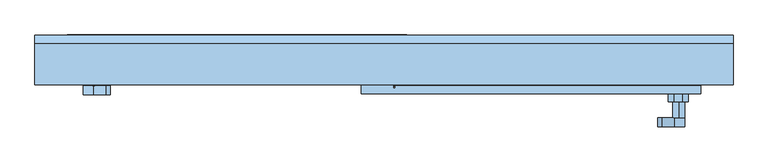
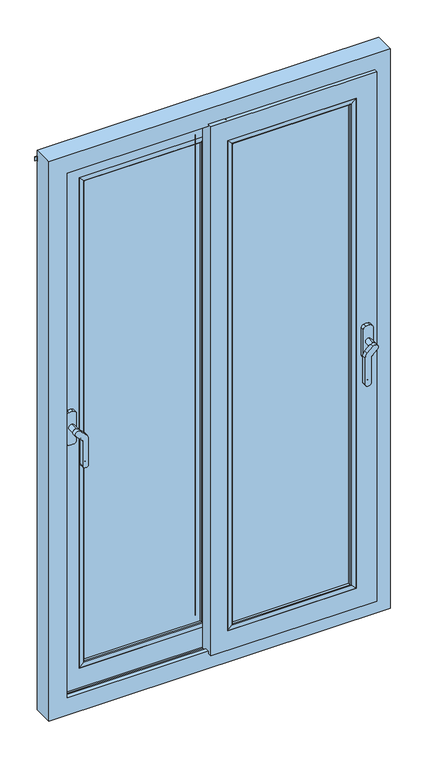
"""IFC4 building model written with IfcOpenShell, lengths in millimetres: window geometry."""

from ifc_helpers import new_model, si_unit, point, frame, frame_2d, origin, place, context, project, spatial, polyline, circle_curve, ellipse_curve, trimmed, segment, composite_curve, outline, extrude, faceted_brep, source, transform, mapped, element, save
from ifc_brep_helpers import plane_surface, cylinder_surface, advanced_brep


def window_a2f1c8dd(model_context):
    return source(origin(), model_context, "Body", "SolidModel", [
        extrude(outline(composite_curve([segment(trimmed(circle_curve(frame_2d((1720.5590638, -483.1689366)), 8.1203216), [point((1720.5590638, -491.2892583))], [point((1712.4387422, -483.1689366))], False, "CARTESIAN"), True, "CONTINUOUS"), segment(polyline([(1712.4387422, -483.1689366), (1712.4387422, -478.7980888)]), True, "CONTINUOUS"), segment(trimmed(circle_curve(frame_2d((1720.5590638, -478.7980888)), 8.1203216), [point((1712.4387422, -478.7980888))], [point((1720.5590638, -470.6777671))], False, "CARTESIAN"), True, "CONTINUOUS"), segment(polyline([(1720.5590638, -470.6777671), (1816.0601001, -470.6777671)]), True, "CONTINUOUS"), segment(trimmed(circle_curve(frame_2d((1816.0601001, -494.6777671)), 24.0), [point((1816.0601001, -470.6777671))], [point((1833.8176817, -478.5325419))], False, "CARTESIAN"), True, "CONTINUOUS"), segment(polyline([(1833.8176817, -478.5325419), (1852.8118762, -499.4236075)]), True, "CONTINUOUS"), segment(trimmed(circle_curve(frame_2d((1845.186663, -506.3564651)), 10.3057456), [point((1852.8118762, -499.4236075))], [point((1837.5614497, -513.2893228))], False, "CARTESIAN"), True, "CONTINUOUS"), segment(polyline([(1837.5614497, -513.2893228), (1821.1297391, -495.2166457)]), True, "CONTINUOUS"), segment(trimmed(circle_curve(frame_2d((1812.2509483, -503.2892583)), 12.0), [point((1821.1297391, -495.2166457))], [point((1812.2509483, -491.2892583))], True, "CARTESIAN"), True, "CONTINUOUS"), segment(polyline([(1812.2509483, -491.2892583), (1720.5590638, -491.2892583)]), True, "CONTINUOUS")], self_intersect=False)), frame((0.0, -316.7498063, 0.0), z_axis=(0.0, 1.0, 0.0), x_axis=(0.0, 0.0, 1.0)), (0.0, 0.0, 1.0), 15.0),
        extrude(outline(composite_curve([segment(trimmed(circle_curve(frame_2d((1845.186663, -505.3441861)), 10.3057456), [point((1855.4924085, -505.3441861))], [point((1834.8809174, -505.3441861))], False, "CARTESIAN"), True, "CONTINUOUS"), segment(trimmed(circle_curve(frame_2d((1845.186663, -505.3441861)), 10.3057456), [point((1834.8809174, -505.3441861))], [point((1855.4924085, -505.3441861))], False, "CARTESIAN"), True, "CONTINUOUS")], self_intersect=False)), frame((0.0, -301.7498063, 0.0), z_axis=(0.0, 1.0, 0.0), x_axis=(0.0, 0.0, 1.0)), (0.0, 0.0, 1.0), 27.75),
        extrude(outline(composite_curve([segment(polyline([(1890.7749123, -522.8503256), (1791.0357249, -522.8503256)]), True, "CONTINUOUS"), segment(trimmed(circle_curve(frame_2d((1791.0357249, -511.6848834)), 11.1654422), [point((1791.0357249, -522.8503256))], [point((1779.9543445, -513.0524027))], False, "CARTESIAN"), True, "CONTINUOUS"), segment(trimmed(circle_curve(frame_2d((1838.3181202, -505.8499075)), 58.8065154), [point((1779.9543445, -513.0524027))], [point((1779.9542171, -498.6484446))], False, "CARTESIAN"), True, "CONTINUOUS"), segment(trimmed(circle_curve(frame_2d((1791.0356217, -500.0157679)), 11.1654422), [point((1779.9542171, -498.6484446))], [point((1791.0356217, -488.8503256))], False, "CARTESIAN"), True, "CONTINUOUS"), segment(polyline([(1791.0356217, -488.8503256), (1890.7748036, -488.8503256)]), True, "CONTINUOUS"), segment(trimmed(circle_curve(frame_2d((1890.7748036, -500.0157679)), 11.1654422), [point((1890.7748036, -488.8503256))], [point((1901.8561833, -498.6482428))], False, "CARTESIAN"), True, "CONTINUOUS"), segment(trimmed(circle_curve(frame_2d((1843.4924309, -505.8507662)), 58.8064957), [point((1901.8561833, -498.6482428))], [point((1901.8563175, -513.052202))], False, "CARTESIAN"), True, "CONTINUOUS"), segment(trimmed(circle_curve(frame_2d((1890.7749123, -511.6848834)), 11.1654422), [point((1901.8563175, -513.052202))], [point((1890.7749123, -522.8503256))], False, "CARTESIAN"), True, "CONTINUOUS")], self_intersect=False)), frame((0.0, -273.9998063, 0.0), z_axis=(0.0, 1.0, 0.0), x_axis=(0.0, 0.0, 1.0)), (0.0, 0.0, 1.0), 13.5),
        extrude(outline(composite_curve([segment(polyline([(1725.2837421, -474.9036109), (1736.903582, -474.9036109), (1736.903582, -486.9960678), (1724.9206616, -486.9960678), (1724.9206616, -480.5040328), (1730.071547, -480.5040328), (1725.0457321, -475.4782179)]), True, "CONTINUOUS"), segment(trimmed(circle_curve(frame_2d((1725.2837421, -475.2402079)), 0.336597), [point((1725.0457321, -475.4782179))], [point((1725.2837421, -474.9036109))], False, "CARTESIAN"), True, "CONTINUOUS")], self_intersect=False)), frame((0.0, -317.0498063, 0.0), z_axis=(0.0, 1.0, 0.0), x_axis=(0.0, 0.0, 1.0)), (0.0, 0.0, 1.0), 0.8),
        extrude(outline(composite_curve([segment(trimmed(circle_curve(frame_2d((1845.186663, 506.3564651)), 10.3057456), [point((1855.4924085, 506.3564651))], [point((1834.8809174, 506.3564651))], False, "CARTESIAN"), True, "CONTINUOUS"), segment(trimmed(circle_curve(frame_2d((1845.186663, 506.3564651)), 10.3057456), [point((1834.8809174, 506.3564651))], [point((1855.4924085, 506.3564651))], False, "CARTESIAN"), True, "CONTINUOUS")], self_intersect=False)), frame((0.0, -356.7498063, 0.0), z_axis=(0.0, 1.0, 0.0), x_axis=(0.0, 0.0, 1.0)), (0.0, 0.0, 1.0), 27.75),
        extrude(outline(composite_curve([segment(polyline([(1720.5590638, 491.2892583), (1812.2509483, 491.2892583)]), True, "CONTINUOUS"), segment(trimmed(circle_curve(frame_2d((1812.2509483, 503.2892583)), 12.0), [point((1812.2509483, 491.2892583))], [point((1821.1297391, 495.2166457))], True, "CARTESIAN"), True, "CONTINUOUS"), segment(polyline([(1821.1297391, 495.2166457), (1837.5614497, 513.2893228)]), True, "CONTINUOUS"), segment(trimmed(circle_curve(frame_2d((1845.186663, 506.3564651)), 10.3057456), [point((1837.5614497, 513.2893228))], [point((1852.8118762, 499.4236075))], False, "CARTESIAN"), True, "CONTINUOUS"), segment(polyline([(1852.8118762, 499.4236075), (1833.8176817, 478.5325419)]), True, "CONTINUOUS"), segment(trimmed(circle_curve(frame_2d((1816.0601001, 494.6777671)), 24.0), [point((1833.8176817, 478.5325419))], [point((1816.0601001, 470.6777671))], False, "CARTESIAN"), True, "CONTINUOUS"), segment(polyline([(1816.0601001, 470.6777671), (1720.5590638, 470.6777671)]), True, "CONTINUOUS"), segment(trimmed(circle_curve(frame_2d((1720.5590638, 478.7980888)), 8.1203216), [point((1720.5590638, 470.6777671))], [point((1712.4387422, 478.7980888))], False, "CARTESIAN"), True, "CONTINUOUS"), segment(polyline([(1712.4387422, 478.7980888), (1712.4387422, 483.1689366)]), True, "CONTINUOUS"), segment(trimmed(circle_curve(frame_2d((1720.5590638, 483.1689366)), 8.1203216), [point((1712.4387422, 483.1689366))], [point((1720.5590638, 491.2892583))], False, "CARTESIAN"), True, "CONTINUOUS")], self_intersect=False)), frame((0.0, -371.7498063, 0.0), z_axis=(0.0, 1.0, 0.0), x_axis=(0.0, 0.0, 1.0)), (0.0, 0.0, 1.0), 15.0),
        extrude(outline(composite_curve([segment(polyline([(1890.7749123, 488.8503256), (1791.0357249, 488.8503256)]), True, "CONTINUOUS"), segment(trimmed(circle_curve(frame_2d((1791.0357249, 500.0157679)), 11.1654422), [point((1791.0357249, 488.8503256))], [point((1779.9543445, 498.6482486))], False, "CARTESIAN"), True, "CONTINUOUS"), segment(trimmed(circle_curve(frame_2d((1838.3181202, 505.8507438)), 58.8065154), [point((1779.9543445, 498.6482486))], [point((1779.9542171, 513.0522067))], False, "CARTESIAN"), True, "CONTINUOUS"), segment(trimmed(circle_curve(frame_2d((1791.0356217, 511.6848834)), 11.1654422), [point((1779.9542171, 513.0522067))], [point((1791.0356217, 522.8503256))], False, "CARTESIAN"), True, "CONTINUOUS"), segment(polyline([(1791.0356217, 522.8503256), (1890.7748036, 522.8503256)]), True, "CONTINUOUS"), segment(trimmed(circle_curve(frame_2d((1890.7748036, 511.6848834)), 11.1654422), [point((1890.7748036, 522.8503256))], [point((1901.8561833, 513.0524085))], False, "CARTESIAN"), True, "CONTINUOUS"), segment(trimmed(circle_curve(frame_2d((1843.4924309, 505.8498851)), 58.8064957), [point((1901.8561833, 513.0524085))], [point((1901.8563175, 498.6484493))], False, "CARTESIAN"), True, "CONTINUOUS"), segment(trimmed(circle_curve(frame_2d((1890.7749123, 500.0157679)), 11.1654422), [point((1901.8563175, 498.6484493))], [point((1890.7749123, 488.8503256))], False, "CARTESIAN"), True, "CONTINUOUS")], self_intersect=False)), frame((0.0, -328.9998063, 0.0), z_axis=(0.0, 1.0, 0.0), x_axis=(0.0, 0.0, 1.0)), (0.0, 0.0, 1.0), 13.5),
        extrude(outline(composite_curve([segment(polyline([(1725.2837421, 486.9960678), (1736.903582, 486.9960678), (1736.903582, 474.9036109), (1724.9206616, 474.9036109), (1724.9206616, 481.3956459), (1730.071547, 481.3956459), (1725.0457321, 486.4214608)]), True, "CONTINUOUS"), segment(trimmed(circle_curve(frame_2d((1725.2837421, 486.6594708)), 0.336597), [point((1725.0457321, 486.4214608))], [point((1725.2837421, 486.9960678))], False, "CARTESIAN"), True, "CONTINUOUS")], self_intersect=False)), frame((0.0, -372.0498063, 0.0), z_axis=(0.0, 1.0, 0.0), x_axis=(0.0, 0.0, 1.0)), (0.0, 0.0, 1.0), 0.8),
        advanced_brep(
        [(19.1010245, -283.0001937, 856.0000985), (19.1010245, -283.0001937, 890.7523289), (19.1010245, -302.0001937, 890.7523289), (19.1010245, -302.0001937, 856.0000985), (19.1010245, -306.4978698, 856.0000985), (19.1010245, -306.4978698, 926.0000985), (19.1010245, -276.4998063, 926.0000985), (19.1010245, -276.4978698, 856.0000985), (19.1010245, -283.0001937, 2823.9999015), (19.1010245, -283.0001937, 2789.2476711), (509.2476711, -283.0001937, 2789.2476711), (509.2476711, -283.0001937, 890.7523289), (543.9999015, -283.0001937, 856.0000985), (543.9999015, -283.0001937, 2823.9999015), (509.2476711, -302.0001937, 890.7523289), (19.1010245, -302.0001937, 2789.2476711), (19.1010245, -302.0001937, 2823.9999015), (543.9999015, -302.0001937, 2823.9999015), (543.9999015, -302.0001937, 856.0000985), (509.2476711, -302.0001937, 2789.2476711), (543.9999015, -315.4998063, 856.0000985), (-39.1010245, -315.4998063, 856.0000985), (-39.1010245, -266.0990318, 856.0000985), (-11.6381787, -266.0990318, 856.0000985), (-8.61807, -262.4998063, 856.0000985), (-2.1146471, -262.4998063, 856.0000985), (-2.1146471, -269.4998063, 856.0000985), (543.9999015, -269.4998063, 856.0000985), (16.1010245, -276.4978698, 856.0000985), (16.1010245, -306.4978698, 856.0000985), (19.1010245, -306.4998063, 2753.9999015), (473.9999015, -306.4998063, 2753.9999015), (473.9999015, -306.4998063, 926.0000985), (16.1010245, -306.4998063, 2823.9999015), (19.1010245, -306.4998063, 2823.9999015), (470.9999015, -306.4998063, 2750.9999015), (19.1010245, -306.4998063, 2750.9999015), (19.1010245, -306.4998063, 929.0000985), (470.9999015, -306.4998063, 929.0000985), (473.9999015, -276.4998063, 926.0000985), (19.1010245, -276.4998063, 2753.9999015), (19.1010245, -276.4998063, 2823.9999015), (16.1010245, -276.4998063, 2823.9999015), (473.9999015, -276.4998063, 2753.9999015), (450.9999015, -276.4998063, 2730.9999015), (450.9999015, -276.4998063, 949.0000985), (39.101481, -276.4998063, 949.0000985), (39.101481, -276.4998063, 2730.9999015), (452.1052009, -271.8114198, 2732.1052009), (452.1052009, -271.8114198, 947.8947991), (37.9961816, -271.8114198, 947.8947991), (37.9961816, -271.8114198, 2732.1052009), (19.1010245, -315.4998063, 2750.9999015), (19.1010245, -315.4998063, 929.0000985), (470.9999015, -315.4998063, 929.0000985), (470.9999015, -315.4998063, 2750.9999015), (-39.1010245, -315.4998063, 2823.9999015), (543.9999015, -315.4998063, 2823.9999015), (-39.1010245, -266.0990318, 2823.9999015), (543.9999015, -269.4998063, 2823.9999015), (-2.1146471, -269.4998063, 2823.9999015), (455.0251536, -269.4998063, 2735.0251536), (35.0762288, -269.4998063, 2735.0251536), (35.0762288, -269.4998063, 944.9748464), (455.0251536, -269.4998063, 944.9748464), (-2.1146471, -262.4998063, 2823.9999015), (-11.6381787, -266.0990318, 2823.9999015), (-8.61807, -262.4998063, 2823.9999015)],
        [
            (0, 1),
            (1, 2),
            (2, 3),
            (3, 4),
            (4, 5),
            (5, 6),
            (6, 7),
            (7, 0),
            (8, 9),
            (9, 10),
            (10, 11),
            (11, 1),
            (0, 12),
            (12, 13),
            (13, 8),
            (11, 14),
            (14, 2),
            (15, 16),
            (16, 17),
            (17, 18),
            (18, 3),
            (14, 19),
            (19, 15),
            (20, 21),
            (21, 22),
            (22, 23),
            (23, 24),
            (24, 25),
            (25, 26),
            (26, 27),
            (27, 12),
            (7, 28),
            (28, 29),
            (29, 4),
            (18, 20),
            (30, 31),
            (31, 32),
            (32, 5),
            (29, 33),
            (33, 34),
            (34, 30),
            (35, 36),
            (36, 37),
            (37, 38),
            (38, 35),
            (39, 6),
            (32, 39),
            (40, 41),
            (41, 42),
            (42, 28),
            (39, 43),
            (43, 40),
            (44, 45),
            (45, 46),
            (46, 47),
            (47, 44),
            (44, 48),
            (48, 49),
            (49, 45),
            (49, 50),
            (50, 46),
            (50, 51),
            (51, 47),
            (42, 33),
            (31, 43),
            (52, 53),
            (53, 37),
            (36, 52),
            (53, 54),
            (54, 38),
            (54, 55),
            (55, 35),
            (56, 21),
            (20, 57),
            (57, 56),
            (52, 55),
            (56, 58),
            (58, 22),
            (17, 57),
            (10, 19),
            (27, 59),
            (59, 13),
            (60, 59),
            (26, 60),
            (61, 62),
            (62, 63),
            (63, 64),
            (64, 61),
            (65, 60),
            (25, 65),
            (50, 63, ellipse_curve(frame((35.0762288, -272.4998063, 944.9748464), z_axis=(-0.7071067811865475, 0.0, 0.7071067811865475), x_axis=(0.7071067811865474, 0.0, 0.7071067811865476)), 4.2426407, 3.0)),
            (62, 51, ellipse_curve(frame((35.0762288, -272.4998063, 2735.0251536), z_axis=(-0.7071067811865475, 0.0, -0.7071067811865475), x_axis=(-0.7071067811865474, 0.0, 0.7071067811865476)), 4.2426407, 3.0)),
            (49, 64, ellipse_curve(frame((455.0251536, -272.4998063, 944.9748464), z_axis=(-0.7071067811865475, 0.0, -0.7071067811865475), x_axis=(0.7071067811865476, 0.0, -0.7071067811865474)), 4.2426407, 3.0)),
            (48, 61, ellipse_curve(frame((455.0251536, -272.4998063, 2735.0251536), z_axis=(0.7071067811865475, 0.0, -0.7071067811865475), x_axis=(0.7071067811865474, 0.0, 0.7071067811865476)), 4.2426407, 3.0)),
            (58, 66),
            (66, 23),
            (66, 67),
            (67, 24),
            (67, 65),
            (40, 30),
            (34, 16),
            (15, 9),
            (8, 41),
            (51, 48),
        ],
        [
            plane_surface(frame((19.1010245, -230.0, 800.0), z_axis=(-1.0, 0.0, 0.0), x_axis=(0.0, 1.0, 0.0))),
            plane_surface(frame((19.1010245, -283.0001937, 2789.2476711), z_axis=(0.0, -1.0, 0.0), x_axis=(1.0, 0.0, 0.0))),
            plane_surface(frame((509.2476711, -302.0001937, 890.7523289), z_axis=(0.0, 0.0, -1.0), x_axis=(-1.0, 0.0, 0.0))),
            plane_surface(frame((19.1010245, -302.0001937, 2823.9999015), z_axis=(0.0, 1.0, 0.0), x_axis=(1.0, 0.0, 0.0))),
            plane_surface(frame((543.9999015, -315.4998063, 856.0000985), z_axis=(0.0, 0.0, -1.0), x_axis=(-1.0, 0.0, 0.0))),
            plane_surface(frame((19.1010245, -306.4998063, 2753.9999015), z_axis=(0.0, 1.0, 0.0), x_axis=(1.0, 0.0, 0.0))),
            plane_surface(frame((473.9999015, -276.4998063, 926.0000985), z_axis=(0.0, 0.0, 1.0), x_axis=(-1.0, 0.0, 0.0))),
            plane_surface(frame((19.1010245, -276.4998063, 2730.9999015), z_axis=(0.0, -1.0, 0.0), x_axis=(1.0, 0.0, 0.0))),
            plane_surface(frame((452.1052009, -271.8114198, 2732.1052009), z_axis=(-0.9733175797962548, 0.22946217304723965, 0.0), x_axis=(0.0, 0.0, -1.0))),
            plane_surface(frame((452.1052009, -271.8114198, 947.8947991), z_axis=(0.0, 0.22946217304723648, 0.9733175797962555), x_axis=(-1.0, 0.0, 0.0))),
            plane_surface(frame((39.1010245, -276.4978698, 2823.9999015), z_axis=(0.9733175797962281, 0.229462173047353, 0.0), x_axis=(0.0, 0.0, -1.0))),
            plane_surface(frame((16.1010245, -306.4978698, 2823.9999015), z_axis=(1.0, 0.0, 0.0), x_axis=(0.0, 0.0, -1.0))),
            plane_surface(frame((473.9999015, -276.4998063, 2753.9999015), z_axis=(-1.0, 0.0, 0.0), x_axis=(0.0, 0.0, -1.0))),
            plane_surface(frame((19.1010245, -315.4998063, 2823.9999015), z_axis=(1.0, 0.0, 0.0), x_axis=(0.0, 0.0, -1.0))),
            plane_surface(frame((470.9999015, -306.4998063, 929.0000985), z_axis=(0.0, 0.0, 1.0), x_axis=(-1.0, 0.0, 0.0))),
            plane_surface(frame((470.9999015, -306.4998063, 2750.9999015), z_axis=(-1.0, 0.0, 0.0), x_axis=(0.0, 0.0, -1.0))),
            plane_surface(frame((19.1010245, -315.4998063, 2750.9999015), z_axis=(0.0, -1.0, 0.0), x_axis=(1.0, 0.0, 0.0))),
            plane_surface(frame((-39.1010245, -266.0990318, 2823.9999015), z_axis=(-1.0, 0.0, 0.0), x_axis=(0.0, 0.0, -1.0))),
            plane_surface(frame((543.9999015, -315.4998063, 2823.9999015), z_axis=(1.0, 0.0, 0.0), x_axis=(0.0, 0.0, -1.0))),
            plane_surface(frame((509.2476711, -302.0001937, 2789.2476711), z_axis=(1.0, 0.0, 0.0), x_axis=(0.0, 0.0, -1.0))),
            plane_surface(frame((543.9999015, -283.0001937, 2823.9999015), z_axis=(1.0, 0.0, 0.0), x_axis=(0.0, 0.0, -1.0))),
            plane_surface(frame((19.1010245, -269.4998063, 2823.9999015), z_axis=(0.0, 1.0, 0.0), x_axis=(1.0, 0.0, 0.0))),
            plane_surface(frame((-2.1146471, -269.4998063, 2823.9999015), z_axis=(1.0, 0.0, 0.0), x_axis=(0.0, 0.0, -1.0))),
            cylinder_surface(frame((35.0762288, -272.4998063, 2823.9999015), z_axis=(0.0, 0.0, 1.0), x_axis=(0.0, 1.0, 0.0)), 3.0),
            cylinder_surface(frame((600.0, -272.4998063, 944.9748464), z_axis=(1.0, 0.0, 0.0), x_axis=(0.0, 1.0, 0.0)), 3.0),
            cylinder_surface(frame((455.0251536, -272.4998063, 2880.0), z_axis=(0.0, 0.0, 1.0), x_axis=(0.0, 1.0, 0.0)), 3.0),
            plane_surface(frame((-11.6381787, -266.0990318, 2823.9999015), z_axis=(0.0, 1.0, 0.0), x_axis=(0.0, 0.0, -1.0))),
            plane_surface(frame((-8.61807, -262.4998063, 2823.9999015), z_axis=(-0.7660444431189933, 0.6427876096865212, 0.0), x_axis=(0.0, 0.0, -1.0))),
            plane_surface(frame((-2.1146471, -262.4998063, 2823.9999015), z_axis=(0.0, 1.0, 0.0), x_axis=(0.0, 0.0, -1.0))),
            plane_surface(frame((19.1010245, -230.0, 2880.0), z_axis=(-1.0, 0.0, 0.0), x_axis=(0.0, 1.0, 0.0))),
            plane_surface(frame((19.1010245, -276.4998063, 2753.9999015), z_axis=(0.0, 0.0, -1.0), x_axis=(1.0, 0.0, 0.0))),
            plane_surface(frame((19.1010245, -306.4998063, 2750.9999015), z_axis=(0.0, 0.0, -1.0), x_axis=(1.0, 0.0, 0.0))),
            plane_surface(frame((19.1010245, -315.4998063, 2823.9999015), z_axis=(0.0, 0.0, 1.0), x_axis=(1.0, 0.0, 0.0))),
            plane_surface(frame((19.1010245, -302.0001937, 2789.2476711), z_axis=(0.0, 0.0, 1.0), x_axis=(1.0, 0.0, 0.0))),
            plane_surface(frame((19.1010245, -271.8114198, 2732.1052009), z_axis=(0.0, 0.22946217304723646, -0.9733175797962554), x_axis=(1.0, 0.0, 0.0))),
            cylinder_surface(frame((19.1010245, -272.4998063, 2735.0251536), z_axis=(-1.0, 0.0, 0.0), x_axis=(0.0, 1.0, 0.0)), 3.0),
        ],
        [
            (0, [[1, 2, 3, 4, 5, 6, 7, 8]]),
            (1, [[9, 10, 11, 12, -1, 13, 14, 15]]),
            (2, [[-2, -12, 16, 17]]),
            (3, [[18, 19, 20, 21, -3, -17, 22, 23]]),
            (4, [[24, 25, 26, 27, 28, 29, 30, 31, -13, -8, 32, 33, 34, -4, -21, 35]]),
            (5, [[36, 37, 38, -5, -34, 39, 40, 41], [42, 43, 44, 45]]),
            (6, [[46, -6, -38, 47]]),
            (7, [[48, 49, 50, -32, -7, -46, 51, 52], [53, 54, 55, 56]]),
            (8, [[-53, 57, 58, 59]]),
            (9, [[-59, 60, 61, -54]]),
            (10, [[-55, -61, 62, 63]]),
            (11, [[64, -39, -33, -50]]),
            (12, [[-51, -47, -37, 65]]),
            (13, [[66, 67, -43, 68]]),
            (14, [[-44, -67, 69, 70]]),
            (15, [[-45, -70, 71, 72]]),
            (16, [[73, -24, 74, 75], [76, -71, -69, -66]]),
            (17, [[77, 78, -25, -73]]),
            (18, [[-74, -35, -20, 79]]),
            (19, [[-22, -16, -11, 80]]),
            (20, [[-14, -31, 81, 82]]),
            (21, [[83, -81, -30, 84], [85, 86, 87, 88]]),
            (22, [[89, -84, -29, 90]]),
            (23, [[-62, 91, -86, 92]]),
            (24, [[93, -87, -91, -60]]),
            (25, [[-88, -93, -58, 94]]),
            (26, [[95, 96, -26, -78]]),
            (27, [[97, 98, -27, -96]]),
            (28, [[99, -90, -28, -98]]),
            (29, [[100, -41, 101, -18, 102, -9, 103, -48]]),
            (30, [[-100, -52, -65, -36]]),
            (31, [[-42, -72, -76, -68]]),
            (32, [[-75, -79, -19, -101, -40, -64, -49, -103, -15, -82, -83, -89, -99, -97, -95, -77]]),
            (33, [[-102, -23, -80, -10]]),
            (34, [[-57, -56, -63, 104]]),
            (35, [[-94, -104, -92, -85]]),
        ],
    ),
        advanced_brep(
        [(-19.1010245, -221.4998063, 926.0000985), (-19.1010245, -251.4998063, 926.0000985), (-19.1010245, -251.4998063, 856.0000985), (-19.1010245, -247.0001937, 856.0000985), (-19.1010245, -247.0001937, 890.7523289), (-19.1010245, -228.0001937, 890.7523289), (-19.1010245, -228.0001937, 856.0000985), (-19.1010245, -221.4998063, 856.0000985), (-473.9999015, -221.4998063, 926.0000985), (-473.9999015, -251.4998063, 926.0000985), (-473.9999015, -251.4998063, 2753.9999015), (-19.1010245, -251.4998063, 2753.9999015), (-19.1010245, -251.4998063, 2823.9999015), (-16.1010245, -251.4998063, 2823.9999015), (-16.1010245, -251.4998063, 856.0000985), (-470.9999015, -251.4998063, 929.0000985), (-19.1010245, -251.4998063, 929.0000985), (-19.1010245, -251.4998063, 2750.9999015), (-470.9999015, -251.4998063, 2750.9999015), (2.1146471, -260.4998063, 856.0000985), (-543.9999015, -260.4998063, 856.0000985), (-543.9999015, -247.0001937, 856.0000985), (-16.1010245, -221.4998063, 856.0000985), (-543.9999015, -228.0001937, 856.0000985), (-543.9999015, -214.4998063, 856.0000985), (39.1010245, -214.4998063, 856.0000985), (39.1010245, -263.9005809, 856.0000985), (11.6381787, -263.9005809, 856.0000985), (8.61807, -267.4998063, 856.0000985), (2.1146471, -267.4998063, 856.0000985), (-543.9999015, -247.0001937, 2823.9999015), (-19.1010245, -247.0001937, 2823.9999015), (-19.1010245, -247.0001937, 2789.2476711), (-509.2476711, -247.0001937, 2789.2476711), (-509.2476711, -247.0001937, 890.7523289), (-509.2476711, -228.0001937, 890.7523289), (-509.2476711, -228.0001937, 2789.2476711), (-19.1010245, -228.0001937, 2789.2476711), (-19.1010245, -228.0001937, 2823.9999015), (-543.9999015, -228.0001937, 2823.9999015), (-16.1010245, -221.4998063, 2823.9999015), (-19.1010245, -221.4998063, 2823.9999015), (-19.1010245, -221.4998063, 2753.9999015), (-473.9999015, -221.4998063, 2753.9999015), (-450.9999015, -221.4998063, 949.0000985), (-450.9999015, -221.4998063, 2730.9999015), (-39.1010245, -221.4998063, 2730.9999015), (-39.1010245, -221.4998063, 949.0000985), (-452.1040493, -216.8163045, 947.8959507), (-452.1040493, -216.8163045, 2732.1040493), (-37.9968766, -216.8163045, 2732.1040493), (-37.9968766, -216.8163045, 947.8959507), (-470.9999015, -260.4998063, 929.0000985), (-19.1010245, -260.4998063, 929.0000985), (-19.1010245, -260.4998063, 2750.9999015), (-470.9999015, -260.4998063, 2750.9999015), (2.1146471, -260.4998063, 2823.9999015), (-543.9999015, -260.4998063, 2823.9999015), (2.1146471, -267.4998063, 2823.9999015), (-543.9999015, -214.4998063, 2823.9999015), (39.1010245, -214.4998063, 2823.9999015), (-455.0301722, -214.4998063, 944.9698278), (-35.0707537, -214.4998063, 944.9698278), (-35.0707537, -214.4998063, 2735.0301722), (-455.0301722, -214.4998063, 2735.0301722), (39.1010245, -263.9005809, 2823.9999015), (11.6381787, -263.9005809, 2823.9999015), (8.61807, -267.4998063, 2823.9999015)],
        [
            (0, 1),
            (1, 2),
            (2, 3),
            (3, 4),
            (4, 5),
            (5, 6),
            (6, 7),
            (7, 0),
            (0, 8),
            (8, 9),
            (9, 1),
            (9, 10),
            (10, 11),
            (11, 12),
            (12, 13),
            (13, 14),
            (14, 2),
            (15, 16),
            (16, 17),
            (17, 18),
            (18, 15),
            (19, 20),
            (20, 21),
            (21, 3),
            (14, 22),
            (22, 7),
            (6, 23),
            (23, 24),
            (24, 25),
            (25, 26),
            (26, 27),
            (27, 28),
            (28, 29),
            (29, 19),
            (21, 30),
            (30, 31),
            (31, 32),
            (32, 33),
            (33, 34),
            (34, 4),
            (34, 35),
            (35, 5),
            (35, 36),
            (36, 37),
            (37, 38),
            (38, 39),
            (39, 23),
            (22, 40),
            (40, 41),
            (41, 42),
            (42, 43),
            (43, 8),
            (44, 45),
            (45, 46),
            (46, 47),
            (47, 44),
            (44, 48),
            (48, 49),
            (49, 45),
            (46, 50),
            (50, 51),
            (51, 47),
            (51, 48),
            (13, 40),
            (43, 10),
            (15, 52),
            (52, 53),
            (53, 16),
            (53, 54),
            (54, 17),
            (18, 55),
            (55, 52),
            (19, 56),
            (56, 57),
            (57, 20),
            (55, 54),
            (29, 58),
            (58, 56),
            (57, 30),
            (39, 59),
            (59, 24),
            (59, 60),
            (60, 25),
            (61, 62),
            (62, 63),
            (63, 64),
            (64, 61),
            (60, 65),
            (65, 26),
            (65, 66),
            (66, 27),
            (66, 67),
            (67, 28),
            (67, 58),
            (33, 36),
            (61, 48, ellipse_curve(frame((-455.0301722, -217.5061456, 944.9698278), z_axis=(0.7071067811865475, 0.0, -0.7071067811865475), x_axis=(0.7071067811865476, 0.0, 0.7071067811865474)), 4.2516058, 3.0063393)),
            (51, 62, ellipse_curve(frame((-35.0707537, -217.5061456, 944.9698278), z_axis=(-0.7071067811865475, 0.0, -0.7071067811865475), x_axis=(0.7071067811865476, 0.0, -0.7071067811865474)), 4.2516058, 3.0063393)),
            (50, 63, ellipse_curve(frame((-35.0707537, -217.5061456, 2735.0301722), z_axis=(0.7071067811865475, 0.0, -0.7071067811865475), x_axis=(-0.7071067811865474, 0.0, -0.7071067811865476)), 4.2516058, 3.0063393)),
            (64, 49, ellipse_curve(frame((-455.0301722, -217.5061456, 2735.0301722), z_axis=(-0.7071067811865475, 0.0, -0.7071067811865475), x_axis=(0.7071067811865474, 0.0, -0.7071067811865476)), 4.2516058, 3.0063393)),
            (37, 32),
            (31, 12),
            (11, 42),
            (41, 38),
            (49, 50),
        ],
        [
            plane_surface(frame((-19.1010245, -230.0, 800.0), z_axis=(1.0, 0.0, 0.0), x_axis=(0.0, 1.0, 0.0))),
            plane_surface(frame((-19.1010245, -221.4998063, 926.0000985), z_axis=(0.0, 0.0, 1.0), x_axis=(-1.0, 0.0, 0.0))),
            plane_surface(frame((-19.1010245, -251.4998063, 926.0000985), z_axis=(0.0, 1.0, 0.0), x_axis=(-1.0, 0.0, 0.0))),
            plane_surface(frame((-19.1010245, -260.4998063, 856.0000985), z_axis=(0.0, 0.0, -1.0), x_axis=(-1.0, 0.0, 0.0))),
            plane_surface(frame((-19.1010245, -247.0001937, 856.0000985), z_axis=(0.0, 1.0, 0.0), x_axis=(-1.0, 0.0, 0.0))),
            plane_surface(frame((-19.1010245, -247.0001937, 890.7523289), z_axis=(0.0, 0.0, -1.0), x_axis=(-1.0, 0.0, 0.0))),
            plane_surface(frame((-19.1010245, -228.0001937, 890.7523289), z_axis=(0.0, -1.0, 0.0), x_axis=(-1.0, 0.0, 0.0))),
            plane_surface(frame((-19.1010245, -221.4998063, 949.0000985), z_axis=(0.0, -1.0, 0.0), x_axis=(-1.0, 0.0, 0.0))),
            plane_surface(frame((-452.1040493, -216.8163045, 947.8959507), z_axis=(0.973317579796255, 0.22946217304723868, 0.0), x_axis=(0.0, 0.0, 1.0))),
            plane_surface(frame((-39.1010245, -221.4998063, 856.0000985), z_axis=(-0.9733175797962385, 0.22946217304730843, 0.0), x_axis=(0.0, 0.0, 1.0))),
            plane_surface(frame((-19.1010245, -216.8163045, 947.8959507), z_axis=(0.0, 0.22946217304724184, 0.9733175797962542), x_axis=(-1.0, 0.0, 0.0))),
            plane_surface(frame((-16.1010245, -251.4998063, 856.0000985), z_axis=(-1.0, 0.0, 0.0), x_axis=(0.0, 0.0, 1.0))),
            plane_surface(frame((-473.9999015, -221.4998063, 926.0000985), z_axis=(1.0, 0.0, 0.0), x_axis=(0.0, 0.0, 1.0))),
            plane_surface(frame((-19.1010245, -251.4998063, 929.0000985), z_axis=(0.0, 0.0, 1.0), x_axis=(-1.0, 0.0, 0.0))),
            plane_surface(frame((-19.1010245, -260.4998063, 856.0000985), z_axis=(-1.0, 0.0, 0.0), x_axis=(0.0, 0.0, 1.0))),
            plane_surface(frame((-470.9999015, -251.4998063, 929.0000985), z_axis=(1.0, 0.0, 0.0), x_axis=(0.0, 0.0, 1.0))),
            plane_surface(frame((-19.1010245, -260.4998063, 929.0000985), z_axis=(0.0, -1.0, 0.0), x_axis=(-1.0, 0.0, 0.0))),
            plane_surface(frame((2.1146471, -267.4998063, 856.0000985), z_axis=(-1.0, 0.0, 0.0), x_axis=(0.0, 0.0, 1.0))),
            plane_surface(frame((-543.9999015, -260.4998063, 856.0000985), z_axis=(-1.0, 0.0, 0.0), x_axis=(0.0, 0.0, 1.0))),
            plane_surface(frame((-543.9999015, -228.0001937, 856.0000985), z_axis=(-1.0, 0.0, 0.0), x_axis=(0.0, 0.0, 1.0))),
            plane_surface(frame((-19.1010245, -214.4998063, 856.0000985), z_axis=(0.0, 1.0, 0.0), x_axis=(-1.0, 0.0, 0.0))),
            plane_surface(frame((39.1010245, -214.4998063, 856.0000985), z_axis=(1.0, 0.0, 0.0), x_axis=(0.0, 0.0, 1.0))),
            plane_surface(frame((39.1010245, -263.9005809, 856.0000985), z_axis=(0.0, -1.0, 0.0), x_axis=(0.0, 0.0, 1.0))),
            plane_surface(frame((11.6381787, -263.9005809, 856.0000985), z_axis=(0.7660444431189904, -0.6427876096865246, 0.0), x_axis=(0.0, 0.0, 1.0))),
            plane_surface(frame((8.61807, -267.4998063, 856.0000985), z_axis=(0.0, -1.0, 0.0), x_axis=(0.0, 0.0, 1.0))),
            plane_surface(frame((-509.2476711, -247.0001937, 890.7523289), z_axis=(-1.0, 0.0, 0.0), x_axis=(0.0, 0.0, 1.0))),
            cylinder_surface(frame((-19.1010245, -217.5061456, 944.9698278), z_axis=(1.0, 0.0, 0.0), x_axis=(0.0, 0.0, 1.0)), 3.0063393),
            cylinder_surface(frame((-35.0707537, -217.5061456, 856.0000985), z_axis=(0.0, 0.0, -1.0), x_axis=(1.0, 0.0, 0.0)), 3.0063393),
            cylinder_surface(frame((-455.0301722, -217.5061456, 800.0), z_axis=(0.0, 0.0, -1.0), x_axis=(1.0, 0.0, 0.0)), 3.0063393),
            plane_surface(frame((-19.1010245, -230.0, 2880.0), z_axis=(1.0, 0.0, 0.0), x_axis=(0.0, 1.0, 0.0))),
            plane_surface(frame((-473.9999015, -221.4998063, 2753.9999015), z_axis=(0.0, 0.0, -1.0), x_axis=(1.0, 0.0, 0.0))),
            plane_surface(frame((-543.9999015, -260.4998063, 2823.9999015), z_axis=(0.0, 0.0, 1.0), x_axis=(1.0, 0.0, 0.0))),
            plane_surface(frame((-509.2476711, -247.0001937, 2789.2476711), z_axis=(0.0, 0.0, 1.0), x_axis=(1.0, 0.0, 0.0))),
            plane_surface(frame((-452.1040493, -216.8163045, 2732.1040493), z_axis=(0.0, 0.22946217304724184, -0.9733175797962542), x_axis=(1.0, 0.0, 0.0))),
            cylinder_surface(frame((-600.0, -217.5061456, 2735.0301722), z_axis=(-1.0, 0.0, 0.0), x_axis=(0.0, 0.0, -1.0)), 3.0063393),
            plane_surface(frame((-470.9999015, -251.4998063, 2750.9999015), z_axis=(0.0, 0.0, -1.0), x_axis=(1.0, 0.0, 0.0))),
        ],
        [
            (0, [[1, 2, 3, 4, 5, 6, 7, 8]]),
            (1, [[-1, 9, 10, 11]]),
            (2, [[-11, 12, 13, 14, 15, 16, 17, -2], [18, 19, 20, 21]]),
            (3, [[22, 23, 24, -3, -17, 25, 26, -7, 27, 28, 29, 30, 31, 32, 33, 34]]),
            (4, [[-4, -24, 35, 36, 37, 38, 39, 40]]),
            (5, [[-5, -40, 41, 42]]),
            (6, [[-6, -42, 43, 44, 45, 46, 47, -27]]),
            (7, [[-8, -26, 48, 49, 50, 51, 52, -9], [53, 54, 55, 56]]),
            (8, [[-53, 57, 58, 59]]),
            (9, [[-55, 60, 61, 62]]),
            (10, [[-57, -56, -62, 63]]),
            (11, [[-25, -16, 64, -48]]),
            (12, [[-52, 65, -12, -10]]),
            (13, [[-18, 66, 67, 68]]),
            (14, [[69, 70, -19, -68]]),
            (15, [[-21, 71, 72, -66]]),
            (16, [[73, 74, 75, -22], [-67, -72, 76, -69]]),
            (17, [[-34, 77, 78, -73]]),
            (18, [[-75, 79, -35, -23]]),
            (19, [[-47, 80, 81, -28]]),
            (20, [[-29, -81, 82, 83], [84, 85, 86, 87]]),
            (21, [[-30, -83, 88, 89]]),
            (22, [[-31, -89, 90, 91]]),
            (23, [[-32, -91, 92, 93]]),
            (24, [[-33, -93, 94, -77]]),
            (25, [[-39, 95, -43, -41]]),
            (26, [[96, -63, 97, -84]]),
            (27, [[-61, 98, -85, -97]]),
            (28, [[-87, 99, -58, -96]]),
            (29, [[-45, 100, -37, 101, -14, 102, -50, 103]]),
            (30, [[-51, -102, -13, -65]]),
            (31, [[-74, -78, -94, -92, -90, -88, -82, -80, -46, -103, -49, -64, -15, -101, -36, -79]]),
            (32, [[-100, -44, -95, -38]]),
            (33, [[-59, 104, -60, -54]]),
            (34, [[-99, -86, -98, -104]]),
            (35, [[-20, -70, -76, -71]]),
        ],
    ),
        extrude(outline(polyline([(466.9999015, -279.9996236), (466.9999015, -283.9996236), (23.1010245, -283.9996236), (23.1010245, -279.9996236), (466.9999015, -279.9996236)])), frame((0.0, 0.0, 933.0000985), z_axis=(0.0, 0.0, 1.0), x_axis=(1.0, 0.0, 0.0)), (0.0, 0.0, 1.0), 1813.9998029),
        extrude(outline(polyline([(466.9999015, -303.9996236), (23.1010245, -303.9996236), (23.1010245, -297.9996236), (466.9999015, -297.9996236), (466.9999015, -303.9996236)])), frame((0.0, 0.0, 933.0000985), z_axis=(0.0, 0.0, 1.0), x_axis=(1.0, 0.0, 0.0)), (0.0, 0.0, 1.0), 1813.9998029),
        faceted_brep([(466.9999015, -303.9996236, 2746.9999015), (466.9999015, -297.9996236, 2746.9999015), (466.9999015, -297.9996236, 933.0000985), (466.9999015, -303.9996236, 933.0000985), (23.1, -297.9996236, 2746.9999015), (23.1, -297.9996236, 933.0000985), (454.9999015, -297.9996236, 945.0000985), (35.1, -297.9996236, 945.0000985), (35.1, -297.9996236, 2734.9999015), (454.9999015, -297.9996236, 2734.9999015), (23.1, -303.9996236, 933.0000985), (471.9499015, -303.9996236, 2751.9499015), (18.15, -303.9996236, 2751.9499015), (18.15, -303.9996236, 928.0500985), (471.9499015, -303.9996236, 928.0500985), (23.1, -303.9996236, 2746.9999015), (471.9499015, -279.9996236, 2751.9499015), (471.9499015, -279.9996236, 928.0500985), (18.15, -279.9996236, 928.0500985), (18.15, -279.9996236, 2751.9499015), (466.9999015, -279.9996236, 2746.9999015), (23.1, -279.9996236, 2746.9999015), (23.1, -279.9996236, 933.0000985), (466.9999015, -279.9996236, 933.0000985), (454.9999015, -283.9996236, 2734.9999015), (454.9999015, -283.9996236, 945.0000985), (466.9999015, -283.9996236, 933.0000985), (23.1, -283.9996236, 933.0000985), (23.1, -283.9996236, 2746.9999015), (466.9999015, -283.9996236, 2746.9999015), (35.1, -283.9996236, 2734.9999015), (35.1, -283.9996236, 945.0000985)], [[[0, 1, 2, 3]], [[1, 4, 5, 2], [6, 7, 8, 9]], [[3, 2, 5, 10]], [[11, 12, 13, 14], [3, 10, 15, 0]], [[16, 11, 14, 17]], [[17, 14, 13, 18]], [[17, 18, 19, 16], [20, 21, 22, 23]], [[9, 24, 25, 6]], [[26, 27, 28, 29], [24, 30, 31, 25]], [[6, 25, 31, 7]], [[10, 5, 4, 15]], [[18, 13, 12, 19]], [[7, 31, 30, 8]], [[27, 22, 21, 28]], [[26, 23, 22, 27]], [[29, 20, 23, 26]], [[15, 4, 1, 0]], [[19, 12, 11, 16]], [[8, 30, 24, 9]], [[28, 21, 20, 29]]]),
        advanced_brep(
        [(470.998877, -315.5048965, 2750.998877), (455.3339502, -314.9578652, 2735.3339502), (455.3339502, -314.9578652, 944.6660498), (470.998877, -315.5048965, 929.001123), (452.4946815, -312.6454847, 2732.4946815), (452.4946815, -312.6454847, 947.5053185), (34.7659512, -314.9578652, 944.6660498), (19.1010245, -315.5048965, 929.001123), (470.998877, -306.4998063, 2750.998877), (470.998877, -306.4998063, 929.001123), (19.1010245, -306.4998063, 929.001123), (19.1010245, -306.4998063, 2750.998877), (450.998877, -306.4998063, 2730.998877), (39.1010245, -306.4998063, 2730.998877), (39.1010245, -306.4998063, 949.001123), (450.998877, -306.4998063, 949.001123), (37.60522, -312.6454847, 947.5053185), (34.7659512, -314.9578652, 2735.3339502), (19.1010245, -315.5048965, 2750.998877), (37.60522, -312.6454847, 2732.4946815)],
        [
            (0, 1),
            (1, 2),
            (2, 3),
            (3, 0),
            (1, 4, ellipse_curve(frame((455.4397315, -311.9286852, 2735.4397315), z_axis=(0.7071067811865475, 0.0, -0.7071067811865475), x_axis=(0.7071067811865474, 0.0, 0.7071067811865476)), 4.2865187, 3.0310264)),
            (4, 5),
            (5, 2, ellipse_curve(frame((455.4397315, -311.9286852, 944.5602685), z_axis=(0.7071067811865475, 0.0, 0.7071067811865475), x_axis=(-0.7071067811865474, 0.0, 0.7071067811865476)), 4.2865187, 3.0310264)),
            (2, 6),
            (6, 7),
            (7, 3),
            (8, 0),
            (3, 9),
            (9, 8),
            (7, 10),
            (10, 9),
            (10, 11),
            (11, 8),
            (12, 13),
            (13, 14),
            (14, 15),
            (15, 12),
            (4, 12),
            (15, 5),
            (14, 16),
            (16, 5),
            (16, 6, ellipse_curve(frame((34.6601699, -311.9286852, 944.5602685), z_axis=(0.7071067811865475, 0.0, -0.7071067811865475), x_axis=(0.7071067811865476, 0.0, 0.7071067811865474)), 4.2865187, 3.0310264)),
            (6, 17),
            (17, 18),
            (18, 7),
            (18, 11),
            (13, 19),
            (19, 16),
            (19, 17, ellipse_curve(frame((34.6601699, -311.9286852, 2735.4397315), z_axis=(-0.7071067811865475, 0.0, -0.7071067811865475), x_axis=(0.7071067811865474, 0.0, -0.7071067811865476)), 4.2865187, 3.0310264)),
            (17, 1),
            (0, 18),
            (4, 19),
        ],
        [
            plane_surface(frame((455.3339502, -314.9578652, 2735.3339502), z_axis=(-0.034899496702994984, -0.9993908270190786, 0.0), x_axis=(0.0, 0.0, -1.0))),
            cylinder_surface(frame((455.4397315, -311.9286852, 2880.0), z_axis=(0.0, 0.0, 1.0), x_axis=(-1.0, 0.0, 0.0)), 3.0310264),
            plane_surface(frame((455.3339502, -314.9578652, 944.6660498), z_axis=(0.0, -0.9993908270190787, 0.03489949670299174), x_axis=(-1.0, 0.0, 0.0))),
            plane_surface(frame((470.998877, -315.5048965, 2750.998877), z_axis=(1.0, 0.0, 0.0), x_axis=(0.0, 0.0, -1.0))),
            plane_surface(frame((470.998877, -315.5048965, 929.001123), z_axis=(0.0, 0.0, -1.0), x_axis=(-1.0, 0.0, 0.0))),
            plane_surface(frame((19.1010245, -306.4998063, 2750.998877), z_axis=(0.0, 1.0, 0.0), x_axis=(1.0, 0.0, 0.0))),
            plane_surface(frame((450.998877, -306.4998063, 2730.998877), z_axis=(-0.9716345613962815, -0.23648737619639634, 0.0), x_axis=(0.0, 0.0, -1.0))),
            plane_surface(frame((450.998877, -306.4998063, 949.001123), z_axis=(0.0, -0.23648737619639948, 0.9716345613962807), x_axis=(-1.0, 0.0, 0.0))),
            cylinder_surface(frame((600.0, -311.9286852, 944.5602685), z_axis=(1.0, 0.0, 0.0), x_axis=(0.0, 0.0, 1.0)), 3.0310264),
            plane_surface(frame((34.7659512, -314.9578652, 944.6660498), z_axis=(0.0348994967029885, -0.9993908270190788, 0.0), x_axis=(0.0, 0.0, 1.0))),
            plane_surface(frame((19.1010245, -315.5048965, 929.001123), z_axis=(-1.0, 0.0, 0.0), x_axis=(0.0, 0.0, 1.0))),
            plane_surface(frame((39.1010245, -306.4998063, 949.001123), z_axis=(0.9716345613962799, -0.23648737619640262, 0.0), x_axis=(0.0, 0.0, 1.0))),
            cylinder_surface(frame((34.6601699, -311.9286852, 800.0), z_axis=(0.0, 0.0, -1.0), x_axis=(1.0, 0.0, 0.0)), 3.0310264),
            plane_surface(frame((34.7659512, -314.9578652, 2735.3339502), z_axis=(0.0, -0.9993908270190787, -0.03489949670299174), x_axis=(1.0, 0.0, 0.0))),
            plane_surface(frame((19.1010245, -315.5048965, 2750.998877), z_axis=(0.0, 0.0, 1.0), x_axis=(1.0, 0.0, 0.0))),
            plane_surface(frame((39.1010245, -306.4998063, 2730.998877), z_axis=(0.0, -0.23648737619639948, -0.9716345613962807), x_axis=(1.0, 0.0, 0.0))),
            cylinder_surface(frame((-109.9000985, -311.9286852, 2735.4397315), z_axis=(-1.0, 0.0, 0.0), x_axis=(0.0, 0.0, -1.0)), 3.0310264),
        ],
        [
            (0, [[1, 2, 3, 4]]),
            (1, [[5, 6, 7, -2]]),
            (2, [[-3, 8, 9, 10]]),
            (3, [[11, -4, 12, 13]]),
            (4, [[-12, -10, 14, 15]]),
            (5, [[-15, 16, 17, -13], [18, 19, 20, 21]]),
            (6, [[22, -21, 23, -6]]),
            (7, [[-23, -20, 24, 25]]),
            (8, [[-7, -25, 26, -8]]),
            (9, [[-9, 27, 28, 29]]),
            (10, [[-14, -29, 30, -16]]),
            (11, [[-24, -19, 31, 32]]),
            (12, [[-26, -32, 33, -27]]),
            (13, [[-28, 34, -1, 35]]),
            (14, [[-30, -35, -11, -17]]),
            (15, [[-31, -18, -22, 36]]),
            (16, [[-33, -36, -5, -34]]),
        ],
    ),
        faceted_brep([(-23.1, -248.9996236, 2746.9999015), (-23.1, -242.9996236, 2746.9999015), (-23.1, -242.9996236, 933.0000985), (-23.1, -248.9996236, 933.0000985), (-466.9999015, -242.9996236, 2746.9999015), (-466.9999015, -242.9996236, 933.0000985), (-35.1, -242.9996236, 945.0000985), (-454.9999015, -242.9996236, 945.0000985), (-454.9999015, -242.9996236, 2734.9999015), (-35.1, -242.9996236, 2734.9999015), (-466.9999015, -248.9996236, 933.0000985), (-18.15, -248.9996236, 2751.9499015), (-471.9499015, -248.9996236, 2751.9499015), (-471.9499015, -248.9996236, 928.0500985), (-18.15, -248.9996236, 928.0500985), (-466.9999015, -248.9996236, 2746.9999015), (-18.15, -224.9996236, 2751.9499015), (-18.15, -224.9996236, 928.0500985), (-471.9499015, -224.9996236, 928.0500985), (-471.9499015, -224.9996236, 2751.9499015), (-23.1, -224.9996236, 2746.9999015), (-466.9999015, -224.9996236, 2746.9999015), (-466.9999015, -224.9996236, 933.0000985), (-23.1, -224.9996236, 933.0000985), (-35.1, -228.9996236, 2734.9999015), (-35.1, -228.9996236, 945.0000985), (-23.1, -228.9996236, 933.0000985), (-466.9999015, -228.9996236, 933.0000985), (-466.9999015, -228.9996236, 2746.9999015), (-23.1, -228.9996236, 2746.9999015), (-454.9999015, -228.9996236, 2734.9999015), (-454.9999015, -228.9996236, 945.0000985)], [[[0, 1, 2, 3]], [[1, 4, 5, 2], [6, 7, 8, 9]], [[3, 2, 5, 10]], [[11, 12, 13, 14], [3, 10, 15, 0]], [[16, 11, 14, 17]], [[17, 14, 13, 18]], [[17, 18, 19, 16], [20, 21, 22, 23]], [[9, 24, 25, 6]], [[26, 27, 28, 29], [24, 30, 31, 25]], [[6, 25, 31, 7]], [[10, 5, 4, 15]], [[18, 13, 12, 19]], [[7, 31, 30, 8]], [[27, 22, 21, 28]], [[26, 23, 22, 27]], [[29, 20, 23, 26]], [[15, 4, 1, 0]], [[19, 12, 11, 16]], [[8, 30, 24, 9]], [[28, 21, 20, 29]]]),
        extrude(outline(polyline([(-23.1010245, -224.9996236), (-23.1010245, -228.9996236), (-466.9999015, -228.9996236), (-466.9999015, -224.9996236), (-23.1010245, -224.9996236)])), frame((0.0, 0.0, 933.0000985), z_axis=(0.0, 0.0, 1.0), x_axis=(1.0, 0.0, 0.0)), (0.0, 0.0, 1.0), 1813.9998029),
        extrude(outline(polyline([(-23.1010245, -248.9996236), (-466.9999015, -248.9996236), (-466.9999015, -242.9996236), (-23.1010245, -242.9996236), (-23.1010245, -248.9996236)])), frame((0.0, 0.0, 933.0000985), z_axis=(0.0, 0.0, 1.0), x_axis=(1.0, 0.0, 0.0)), (0.0, 0.0, 1.0), 1813.9998029),
        advanced_brep(
        [(-19.1, -260.5048965, 2750.9999015), (-34.7649268, -259.9578652, 2735.3349747), (-34.7649268, -259.9578652, 944.6650253), (-19.1, -260.5048965, 929.0000985), (-37.6041955, -257.6454847, 2732.495706), (-37.6041955, -257.6454847, 947.504294), (-455.3349747, -259.9578652, 944.6650253), (-470.9999015, -260.5048965, 929.0000985), (-19.1, -251.4998063, 2750.9999015), (-19.1, -251.4998063, 929.0000985), (-470.9999015, -251.4998063, 929.0000985), (-470.9999015, -251.4998063, 2750.9999015), (-39.1, -251.4998063, 2730.9999015), (-450.9999015, -251.4998063, 2730.9999015), (-450.9999015, -251.4998063, 949.0000985), (-39.1, -251.4998063, 949.0000985), (-452.495706, -257.6454847, 947.504294), (-455.3349747, -259.9578652, 2735.3349747), (-470.9999015, -260.5048965, 2750.9999015), (-452.495706, -257.6454847, 2732.495706)],
        [
            (0, 1),
            (1, 2),
            (2, 3),
            (3, 0),
            (1, 4, ellipse_curve(frame((-34.6591455, -256.9286852, 2735.440756), z_axis=(0.7071067811865475, 0.0, -0.7071067811865475), x_axis=(0.7071067811865474, 0.0, 0.7071067811865476)), 4.2865187, 3.0310264)),
            (4, 5),
            (5, 2, ellipse_curve(frame((-34.6591455, -256.9286852, 944.559244), z_axis=(0.7071067811865475, 0.0, 0.7071067811865475), x_axis=(-0.7071067811865474, 0.0, 0.7071067811865476)), 4.2865187, 3.0310264)),
            (2, 6),
            (6, 7),
            (7, 3),
            (8, 0),
            (3, 9),
            (9, 8),
            (7, 10),
            (10, 9),
            (10, 11),
            (11, 8),
            (12, 13),
            (13, 14),
            (14, 15),
            (15, 12),
            (4, 12),
            (15, 5),
            (14, 16),
            (16, 5),
            (16, 6, ellipse_curve(frame((-455.440756, -256.9286852, 944.559244), z_axis=(0.7071067811865475, 0.0, -0.7071067811865475), x_axis=(0.7071067811865476, 0.0, 0.7071067811865474)), 4.2865187, 3.0310264)),
            (6, 17),
            (17, 18),
            (18, 7),
            (18, 11),
            (13, 19),
            (19, 16),
            (19, 17, ellipse_curve(frame((-455.440756, -256.9286852, 2735.440756), z_axis=(-0.7071067811865475, 0.0, -0.7071067811865475), x_axis=(0.7071067811865474, 0.0, -0.7071067811865476)), 4.2865187, 3.0310264)),
            (17, 1),
            (0, 18),
            (4, 19),
        ],
        [
            plane_surface(frame((-34.7649268, -259.9578652, 2735.3349747), z_axis=(-0.03489949670299764, -0.9993908270190784, 0.0), x_axis=(0.0, 0.0, -1.0))),
            cylinder_surface(frame((-34.6591455, -256.9286852, 2880.0), z_axis=(0.0, 0.0, 1.0), x_axis=(-1.0, 0.0, 0.0)), 3.0310264),
            plane_surface(frame((-34.7649268, -259.9578652, 944.6650253), z_axis=(0.0, -0.9993908270190786, 0.0348994967029944), x_axis=(-1.0, 0.0, 0.0))),
            plane_surface(frame((-19.1, -260.5048965, 2750.9999015), z_axis=(1.0, 0.0, 0.0), x_axis=(0.0, 0.0, -1.0))),
            plane_surface(frame((-19.1, -260.5048965, 929.0000985), z_axis=(0.0, 0.0, -1.0), x_axis=(-1.0, 0.0, 0.0))),
            plane_surface(frame((-470.9999015, -251.4998063, 2750.9999015), z_axis=(0.0, 1.0, 0.0), x_axis=(1.0, 0.0, 0.0))),
            plane_surface(frame((-39.1, -251.4998063, 2730.9999015), z_axis=(-0.9716345613962767, -0.2364873761964158, 0.0), x_axis=(0.0, 0.0, -1.0))),
            plane_surface(frame((-39.1, -251.4998063, 949.0000985), z_axis=(0.0, -0.23648737619641894, 0.9716345613962759), x_axis=(-1.0, 0.0, 0.0))),
            cylinder_surface(frame((109.9000985, -256.9286852, 944.559244), z_axis=(1.0, 0.0, 0.0), x_axis=(0.0, 0.0, 1.0)), 3.0310264),
            plane_surface(frame((-455.3349747, -259.9578652, 944.6650253), z_axis=(0.03489949670299116, -0.9993908270190787, 0.0), x_axis=(0.0, 0.0, 1.0))),
            plane_surface(frame((-470.9999015, -260.5048965, 929.0000985), z_axis=(-1.0, 0.0, 0.0), x_axis=(0.0, 0.0, 1.0))),
            plane_surface(frame((-450.9999015, -251.4998063, 949.0000985), z_axis=(0.9716345613962751, -0.23648737619642207, 0.0), x_axis=(0.0, 0.0, 1.0))),
            cylinder_surface(frame((-455.440756, -256.9286852, 800.0), z_axis=(0.0, 0.0, -1.0), x_axis=(1.0, 0.0, 0.0)), 3.0310264),
            plane_surface(frame((-455.3349747, -259.9578652, 2735.3349747), z_axis=(0.0, -0.9993908270190786, -0.0348994967029944), x_axis=(1.0, 0.0, 0.0))),
            plane_surface(frame((-470.9999015, -260.5048965, 2750.9999015), z_axis=(0.0, 0.0, 1.0), x_axis=(1.0, 0.0, 0.0))),
            plane_surface(frame((-450.9999015, -251.4998063, 2730.9999015), z_axis=(0.0, -0.23648737619641894, -0.9716345613962759), x_axis=(1.0, 0.0, 0.0))),
            cylinder_surface(frame((-600.0, -256.9286852, 2735.440756), z_axis=(-1.0, 0.0, 0.0), x_axis=(0.0, 0.0, -1.0)), 3.0310264),
        ],
        [
            (0, [[1, 2, 3, 4]]),
            (1, [[5, 6, 7, -2]]),
            (2, [[-3, 8, 9, 10]]),
            (3, [[11, -4, 12, 13]]),
            (4, [[-12, -10, 14, 15]]),
            (5, [[-15, 16, 17, -13], [18, 19, 20, 21]]),
            (6, [[22, -21, 23, -6]]),
            (7, [[-23, -20, 24, 25]]),
            (8, [[-7, -25, 26, -8]]),
            (9, [[-9, 27, 28, 29]]),
            (10, [[-14, -29, 30, -16]]),
            (11, [[-24, -19, 31, 32]]),
            (12, [[-26, -32, 33, -27]]),
            (13, [[-28, 34, -1, 35]]),
            (14, [[-30, -35, -11, -17]]),
            (15, [[-31, -18, -22, 36]]),
            (16, [[-33, -36, -5, -34]]),
        ],
    ),
        faceted_brep([(600.0, -230.0, 2880.0), (600.0, -300.0, 2880.0), (600.0, -300.0, 800.0), (600.0, -230.0, 800.0), (-600.0, -300.0, 2880.0), (-600.0, -300.0, 800.0), (535.0, -300.0, 865.0), (-535.0, -300.0, 865.0), (-535.0, -300.0, 2815.0), (535.0, -300.0, 2815.0), (-600.0, -230.0, 800.0), (-600.0, -230.0, 2880.0), (535.0, -230.0, 2815.0), (-535.0, -230.0, 2815.0), (-535.0, -230.0, 865.0), (535.0, -230.0, 865.0), (535.0, -245.0, 2815.0), (535.0, -245.0, 865.0), (-535.0, -245.0, 865.0), (562.3395465, -245.0, 2842.3395465), (-562.3395465, -245.0, 2842.3395465), (-562.3395465, -245.0, 837.6604535), (562.3395465, -245.0, 837.6604535), (-535.0, -245.0, 2815.0), (535.0, -285.0, 865.0), (-535.0, -285.0, 865.0), (-535.0, -285.0, 2815.0), (535.0, -285.0, 2815.0), (558.84, -285.0, 2838.84), (558.84, -285.0, 841.16), (-558.84, -285.0, 841.16), (-558.84, -285.0, 2838.84)], [[[0, 1, 2, 3]], [[1, 4, 5, 2], [6, 7, 8, 9]], [[3, 2, 5, 10]], [[3, 10, 11, 0], [12, 13, 14, 15]], [[16, 12, 15, 17]], [[17, 15, 14, 18]], [[19, 20, 21, 22], [17, 18, 23, 16]], [[10, 5, 4, 11]], [[18, 14, 13, 23]], [[6, 24, 25, 7]], [[7, 25, 26, 8]], [[9, 27, 24, 6]], [[28, 19, 22, 29]], [[29, 22, 21, 30]], [[29, 30, 31, 28], [27, 26, 25, 24]], [[30, 21, 20, 31]], [[11, 4, 1, 0]], [[23, 13, 12, 16]], [[31, 20, 19, 28]], [[8, 26, 27, 9]]]),
        extrude(outline(polyline([(-230.0, 2857.7401837), (-215.0, 2848.3671434), (-215.0, 2831.9989694), (-216.7, 2833.0612473), (-216.7, 2836.2226232), (-222.3433335, 2839.7489694), (-230.0, 2839.7489694), (-230.0, 2857.7401837)])), frame((-600.0, 0.0, 0.0), z_axis=(1.0, 0.0, 0.0), x_axis=(0.0, 1.0, 0.0)), (0.0, 0.0, 1.0), 1200.0),
    ])


if __name__ == "__main__":
    model = new_model("IFC4")
    model_context = context("Model", 3, world=origin())
    ifc_project = project(units=[si_unit("LENGTHUNIT", "METRE", prefix="MILLI")], contexts=[model_context])
    site = spatial("IfcSite", under=ifc_project)
    building = spatial("IfcBuilding", under=site)
    placement = place(None, origin())
    window_shape = window_a2f1c8dd(model_context)
    element("IfcWindow", 1, at=placement, inside=building, context=model_context, shape_type="MappedRepresentation", body=[
        mapped(window_shape, transform((0.0, 0.0, 0.0), x_axis=(1.0, 0.0, 0.0), y_axis=(0.0, 1.0, 0.0), z_axis=(0.0, 0.0, 1.0))),
    ])
    save(model, "model.ifc")
